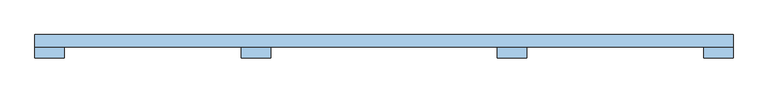
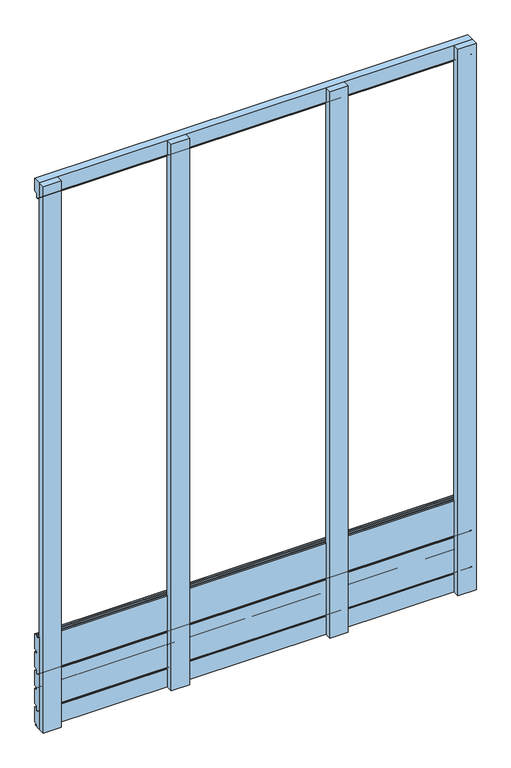
"""IFC4 building model written with IfcOpenShell, lengths in millimetres: window geometry."""

from ifc_helpers import new_model, si_unit, point, frame, frame_2d, origin, place, context, project, spatial, polyline, circle_curve, trimmed, segment, composite_curve, outline, extrude, source, transform, mapped, element, save


def window_8ff1f861(model_context):
    return source(origin(), model_context, "Body", "SweptSolid", [
        extrude(outline(composite_curve([segment(trimmed(circle_curve(frame_2d((126.0069561, 433.0059188)), 2.0068504), [point((124.0001057, 433.0059188))], [point((126.0069561, 435.0127692))], False, "CARTESIAN"), True, "CONTINUOUS"), segment(polyline([(126.0069561, 435.0127692), (129.0001057, 435.0127692)]), True, "CONTINUOUS"), segment(trimmed(circle_curve(frame_2d((129.0001057, 433.0127692)), 2.0), [point((129.0001057, 435.0127692))], [point((131.0001057, 433.0127692))], False, "CARTESIAN"), True, "CONTINUOUS"), segment(polyline([(131.0001057, 433.0127692), (131.0001057, 427.0127692), (139.0001057, 427.0127692), (139.0001057, 432.0970543)]), True, "CONTINUOUS"), segment(trimmed(circle_curve(frame_2d((142.0089139, 432.0024748)), 3.0102944), [point((139.0001057, 432.0970543))], [point((142.0089139, 435.0127692))], False, "CARTESIAN"), True, "CONTINUOUS"), segment(polyline([(142.0089139, 435.0127692), (146.9999996, 435.0127692)]), True, "CONTINUOUS"), segment(trimmed(circle_curve(frame_2d((146.9999996, 432.0127692)), 3.0), [point((146.9999996, 435.0127692))], [point((149.9999996, 432.0127692))], False, "CARTESIAN"), True, "CONTINUOUS"), segment(polyline([(149.9999996, 432.0127692), (149.9999996, 380.3066796)]), True, "CONTINUOUS"), segment(trimmed(circle_curve(frame_2d((146.9999996, 380.3066796)), 3.0), [point((149.9999996, 380.3066796))], [point((147.8555837, 377.4312708))], False, "CARTESIAN"), True, "CONTINUOUS"), segment(polyline([(147.8555837, 377.4312708), (139.9239208, 375.3276824)]), True, "CONTINUOUS"), segment(trimmed(circle_curve(frame_2d((140.5001156, 373.4124802)), 2.0), [point((139.9239208, 375.3276824))], [point((138.5001156, 373.4124802))], True, "CARTESIAN"), True, "CONTINUOUS"), segment(polyline([(138.5001156, 373.4124802), (138.5001158, 372.0)]), True, "CONTINUOUS"), segment(trimmed(circle_curve(frame_2d((140.5001158, 372.0)), 2.0), [point((138.5001158, 372.0))], [point((140.5001158, 370.0))], True, "CARTESIAN"), True, "CONTINUOUS"), segment(polyline([(140.5001158, 370.0), (146.968241, 370.0)]), True, "CONTINUOUS"), segment(trimmed(circle_curve(frame_2d((147.0018221, 367.000188)), 3.0), [point((146.968241, 370.0))], [point((150.0, 367.1047318))], False, "CARTESIAN"), True, "CONTINUOUS"), segment(polyline([(150.0, 367.1047318), (150.0, 315.2676097)]), True, "CONTINUOUS"), segment(trimmed(circle_curve(frame_2d((147.0, 315.2676097)), 3.0), [point((150.0, 315.2676097))], [point((148.1977807, 312.5170968))], False, "CARTESIAN"), True, "CONTINUOUS"), segment(polyline([(148.1977807, 312.5170968), (140.4824676, 310.4497849)]), True, "CONTINUOUS"), segment(trimmed(circle_curve(frame_2d((141.0001057, 308.5179332)), 2.0), [point((140.4824676, 310.4497849))], [point((139.0001057, 308.5179332))], True, "CARTESIAN"), True, "CONTINUOUS"), segment(polyline([(139.0001057, 308.5179332), (139.0001057, 297.0127692)]), True, "CONTINUOUS"), segment(trimmed(circle_curve(frame_2d((137.0001057, 297.0127692)), 2.0), [point((139.0001057, 297.0127692))], [point((137.0001057, 295.0127692))], False, "CARTESIAN"), True, "CONTINUOUS"), segment(polyline([(137.0001057, 295.0127692), (133.0001057, 295.0127692)]), True, "CONTINUOUS"), segment(trimmed(circle_curve(frame_2d((133.0001057, 297.0127692)), 2.0), [point((133.0001057, 295.0127692))], [point((131.0001057, 297.0127692))], False, "CARTESIAN"), True, "CONTINUOUS"), segment(polyline([(131.0001057, 297.0127692), (131.0001057, 302.0), (126.0001057, 302.0)]), True, "CONTINUOUS"), segment(trimmed(circle_curve(frame_2d((126.0001057, 304.0)), 2.0), [point((126.0001057, 302.0))], [point((124.0001057, 304.0))], False, "CARTESIAN"), True, "CONTINUOUS"), segment(polyline([(124.0001057, 304.0), (124.0001057, 433.0059188)]), True, "CONTINUOUS")], self_intersect=False)), frame((-750.0, 0.0, 0.0), z_axis=(1.0, 0.0, 0.0), x_axis=(0.0, 1.0, 0.0)), (0.0, 0.0, 1.0), 1500.0),
        extrude(outline(composite_curve([segment(trimmed(circle_curve(frame_2d((126.0069561, 299.0059188)), 2.0068504), [point((124.0001057, 299.0059188))], [point((126.0069561, 301.0127692))], False, "CARTESIAN"), True, "CONTINUOUS"), segment(polyline([(126.0069561, 301.0127692), (129.0001057, 301.0127692)]), True, "CONTINUOUS"), segment(trimmed(circle_curve(frame_2d((129.0001057, 299.0127692)), 2.0), [point((129.0001057, 301.0127692))], [point((131.0001057, 299.0127692))], False, "CARTESIAN"), True, "CONTINUOUS"), segment(polyline([(131.0001057, 299.0127692), (131.0001057, 293.0127692), (139.0001057, 293.0127692), (139.0001057, 298.0970543)]), True, "CONTINUOUS"), segment(trimmed(circle_curve(frame_2d((142.0089139, 298.0024748)), 3.0102944), [point((139.0001057, 298.0970543))], [point((142.0089139, 301.0127692))], False, "CARTESIAN"), True, "CONTINUOUS"), segment(polyline([(142.0089139, 301.0127692), (146.9999996, 301.0127692)]), True, "CONTINUOUS"), segment(trimmed(circle_curve(frame_2d((146.9999996, 298.0127692)), 3.0), [point((146.9999996, 301.0127692))], [point((149.9999996, 298.0127692))], False, "CARTESIAN"), True, "CONTINUOUS"), segment(polyline([(149.9999996, 298.0127692), (149.9999996, 246.3066796)]), True, "CONTINUOUS"), segment(trimmed(circle_curve(frame_2d((146.9999996, 246.3066796)), 3.0), [point((149.9999996, 246.3066796))], [point((147.8555837, 243.4312708))], False, "CARTESIAN"), True, "CONTINUOUS"), segment(polyline([(147.8555837, 243.4312708), (139.9239208, 241.3276824)]), True, "CONTINUOUS"), segment(trimmed(circle_curve(frame_2d((140.5001156, 239.4124802)), 2.0), [point((139.9239208, 241.3276824))], [point((138.5001156, 239.4124802))], True, "CARTESIAN"), True, "CONTINUOUS"), segment(polyline([(138.5001156, 239.4124802), (138.5001158, 238.0)]), True, "CONTINUOUS"), segment(trimmed(circle_curve(frame_2d((140.5001158, 238.0)), 2.0), [point((138.5001158, 238.0))], [point((140.5001158, 236.0))], True, "CARTESIAN"), True, "CONTINUOUS"), segment(polyline([(140.5001158, 236.0), (146.968241, 236.0)]), True, "CONTINUOUS"), segment(trimmed(circle_curve(frame_2d((147.0018221, 233.000188)), 3.0), [point((146.968241, 236.0))], [point((150.0, 233.1047318))], False, "CARTESIAN"), True, "CONTINUOUS"), segment(polyline([(150.0, 233.1047318), (150.0, 181.2676097)]), True, "CONTINUOUS"), segment(trimmed(circle_curve(frame_2d((147.0, 181.2676097)), 3.0), [point((150.0, 181.2676097))], [point((148.1977807, 178.5170968))], False, "CARTESIAN"), True, "CONTINUOUS"), segment(polyline([(148.1977807, 178.5170968), (140.4824676, 176.4497849)]), True, "CONTINUOUS"), segment(trimmed(circle_curve(frame_2d((141.0001057, 174.5179332)), 2.0), [point((140.4824676, 176.4497849))], [point((139.0001057, 174.5179332))], True, "CARTESIAN"), True, "CONTINUOUS"), segment(polyline([(139.0001057, 174.5179332), (139.0001057, 163.0127692)]), True, "CONTINUOUS"), segment(trimmed(circle_curve(frame_2d((137.0001057, 163.0127692)), 2.0), [point((139.0001057, 163.0127692))], [point((137.0001057, 161.0127692))], False, "CARTESIAN"), True, "CONTINUOUS"), segment(polyline([(137.0001057, 161.0127692), (133.0001057, 161.0127692)]), True, "CONTINUOUS"), segment(trimmed(circle_curve(frame_2d((133.0001057, 163.0127692)), 2.0), [point((133.0001057, 161.0127692))], [point((131.0001057, 163.0127692))], False, "CARTESIAN"), True, "CONTINUOUS"), segment(polyline([(131.0001057, 163.0127692), (131.0001057, 168.0), (126.0001057, 168.0)]), True, "CONTINUOUS"), segment(trimmed(circle_curve(frame_2d((126.0001057, 170.0)), 2.0), [point((126.0001057, 168.0))], [point((124.0001057, 170.0))], False, "CARTESIAN"), True, "CONTINUOUS"), segment(polyline([(124.0001057, 170.0), (124.0001057, 299.0059188)]), True, "CONTINUOUS")], self_intersect=False)), frame((-750.0, 0.0, 0.0), z_axis=(1.0, 0.0, 0.0), x_axis=(0.0, 1.0, 0.0)), (0.0, 0.0, 1.0), 1500.0),
        extrude(outline(composite_curve([segment(polyline([(124.0001057, 2100.0), (150.0, 2100.0), (150.0, 2057.2548405)]), True, "CONTINUOUS"), segment(trimmed(circle_curve(frame_2d((147.0, 2057.2548405)), 3.0), [point((150.0, 2057.2548405))], [point((148.1977807, 2054.5043275))], False, "CARTESIAN"), True, "CONTINUOUS"), segment(polyline([(148.1977807, 2054.5043275), (140.4824676, 2052.4370156)]), True, "CONTINUOUS"), segment(trimmed(circle_curve(frame_2d((141.0001057, 2050.505164)), 2.0), [point((140.4824676, 2052.4370156))], [point((139.0001057, 2050.505164))], True, "CARTESIAN"), True, "CONTINUOUS"), segment(polyline([(139.0001057, 2050.505164), (139.0001057, 2039.0)]), True, "CONTINUOUS"), segment(trimmed(circle_curve(frame_2d((137.0001057, 2039.0)), 2.0), [point((139.0001057, 2039.0))], [point((137.0001057, 2037.0))], False, "CARTESIAN"), True, "CONTINUOUS"), segment(polyline([(137.0001057, 2037.0), (133.0001057, 2037.0)]), True, "CONTINUOUS"), segment(trimmed(circle_curve(frame_2d((133.0001057, 2039.0)), 2.0), [point((133.0001057, 2037.0))], [point((131.0001057, 2039.0))], False, "CARTESIAN"), True, "CONTINUOUS"), segment(polyline([(131.0001057, 2039.0), (131.0001057, 2043.9872308), (126.0001057, 2043.9872308)]), True, "CONTINUOUS"), segment(trimmed(circle_curve(frame_2d((126.0001057, 2045.9872308)), 2.0), [point((126.0001057, 2043.9872308))], [point((124.0001057, 2045.9872308))], False, "CARTESIAN"), True, "CONTINUOUS"), segment(polyline([(124.0001057, 2045.9872308), (124.0001057, 2100.0)]), True, "CONTINUOUS")], self_intersect=False)), frame((-750.0, 0.0, 0.0), z_axis=(1.0, 0.0, 0.0), x_axis=(0.0, 1.0, 0.0)), (0.0, 0.0, 1.0), 1500.0),
        extrude(outline(composite_curve([segment(trimmed(circle_curve(frame_2d((126.0069565, 164.9931496)), 2.0068504), [point((124.0001061, 164.9931496))], [point((126.0069565, 167.0))], False, "CARTESIAN"), True, "CONTINUOUS"), segment(polyline([(126.0069565, 167.0), (129.0001061, 167.0)]), True, "CONTINUOUS"), segment(trimmed(circle_curve(frame_2d((129.0001061, 165.0)), 2.0), [point((129.0001061, 167.0))], [point((131.0001061, 165.0))], False, "CARTESIAN"), True, "CONTINUOUS"), segment(polyline([(131.0001061, 165.0), (131.0001061, 159.0), (139.0001061, 159.0), (139.0001061, 164.084285)]), True, "CONTINUOUS"), segment(trimmed(circle_curve(frame_2d((142.0089143, 163.9897056)), 3.0102944), [point((139.0001061, 164.084285))], [point((142.0089143, 167.0))], False, "CARTESIAN"), True, "CONTINUOUS"), segment(polyline([(142.0089143, 167.0), (147.0, 167.0)]), True, "CONTINUOUS"), segment(trimmed(circle_curve(frame_2d((147.0, 164.0)), 3.0), [point((147.0, 167.0))], [point((150.0, 164.0))], False, "CARTESIAN"), True, "CONTINUOUS"), segment(polyline([(150.0, 164.0), (150.0, 112.2939103), (147.8555841, 109.4185015), (138.5001162, 106.9373001), (138.5001162, 101.9872308), (146.9682415, 101.9872308), (148.9554722, 100.0), (124.0001061, 100.0), (124.0001061, 164.9931496)]), True, "CONTINUOUS")], self_intersect=False)), frame((-750.0, 0.0, 0.0), z_axis=(1.0, 0.0, 0.0), x_axis=(0.0, 1.0, 0.0)), (0.0, 0.0, 1.0), 1500.0),
        extrude(outline(polyline([(-306.5, 124.0), (-243.5, 124.0), (-243.5, 100.0), (-306.5, 100.0), (-306.5, 124.0)])), frame((0.0, 0.0, 100.0), z_axis=(0.0, 0.0, 1.0), x_axis=(1.0, 0.0, 0.0)), (0.0, 0.0, 1.0), 2000.0),
        extrude(outline(polyline([(243.5, 124.0), (306.5, 124.0), (306.5, 100.0), (243.5, 100.0), (243.5, 124.0)])), frame((0.0, 0.0, 100.0), z_axis=(0.0, 0.0, 1.0), x_axis=(1.0, 0.0, 0.0)), (0.0, 0.0, 1.0), 2000.0),
        extrude(outline(polyline([(-750.0, 124.0), (-687.0, 124.0), (-687.0, 100.0), (-750.0, 100.0), (-750.0, 124.0)])), frame((0.0, 0.0, 100.0), z_axis=(0.0, 0.0, 1.0), x_axis=(1.0, 0.0, 0.0)), (0.0, 0.0, 1.0), 2000.0),
        extrude(outline(polyline([(687.0, 124.0), (750.0, 124.0), (750.0, 100.0), (687.0, 100.0), (687.0, 124.0)])), frame((0.0, 0.0, 100.0), z_axis=(0.0, 0.0, 1.0), x_axis=(1.0, 0.0, 0.0)), (0.0, 0.0, 1.0), 2000.0),
    ])


if __name__ == "__main__":
    model = new_model("IFC4")
    model_context = context("Model", 3, world=origin())
    ifc_project = project(units=[si_unit("LENGTHUNIT", "METRE", prefix="MILLI")], contexts=[model_context])
    site = spatial("IfcSite", under=ifc_project)
    building = spatial("IfcBuilding", under=site)
    placement = place(None, origin())
    window_shape = window_8ff1f861(model_context)
    element("IfcWindow", 1, at=placement, inside=building, context=model_context, shape_type="MappedRepresentation", body=[
        mapped(window_shape, transform((0.0, 0.0, 0.0), x_axis=(1.0, 0.0, 0.0), y_axis=(0.0, 1.0, 0.0), z_axis=(0.0, 0.0, 1.0))),
    ])
    save(model, "model.ifc")
